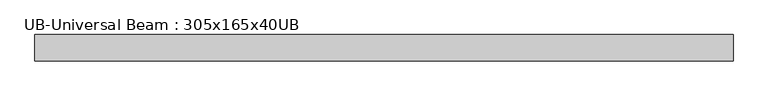
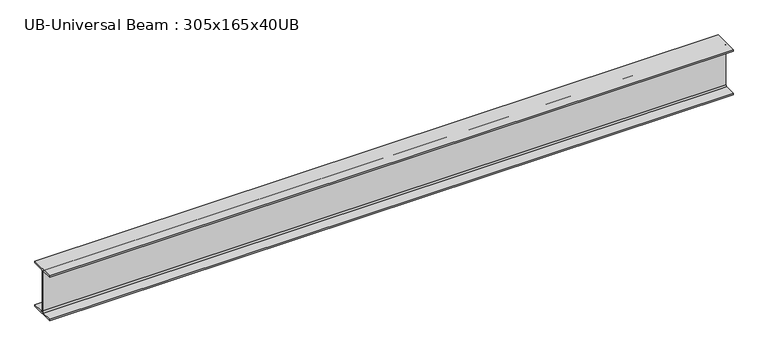
"""IFC4 building model written with IfcOpenShell, lengths in millimetres: beam geometry, UB-Universal Beam : 305x165x40UB."""

import ifcopenshell
import ifcopenshell.guid

model = None  # the IFC model being written
_history = None  # IfcOwnerHistory: only IFC2X3 demands one
_inside = {}  # id of a spatial element -> (the spatial element, [elements in it])
_under = {}  # id of a project, library or spatial element -> (it, [spatial elements below it])
_declared = {}  # id of a project -> (the project, [libraries it declares])
_typed = {}  # id of a type object -> (the type object, [elements of that type])
_made_of = {}  # id of a material, layer set ... -> (it, [elements and type objects made of it])


def new_model(schema):
    """Start an empty IFC model of exactly this schema.

    Asked for "IFC4X3", IfcOpenShell would pick the latest addendum, in which some entities
    have other attributes; the version numbers below select the first issue.
    IFC2X3 requires an IfcOwnerHistory on every rooted entity: one is made here for all.
    """
    global model, _history
    if schema == "IFC4X3":
        model = ifcopenshell.file(schema_version=(4, 3, 0, 0))
    else:
        model = ifcopenshell.file(schema=schema)
    _inside.clear()
    _under.clear()
    _declared.clear()
    _typed.clear()
    _made_of.clear()
    _history = None
    if model.schema == "IFC2X3":
        org = make("IfcOrganization", Name="unknown")
        user = make(
            "IfcPersonAndOrganization",
            ThePerson=make("IfcPerson", FamilyName="unknown"),
            TheOrganization=org,
        )
        app = make(
            "IfcApplication",
            ApplicationDeveloper=org,
            Version="unknown",
            ApplicationFullName="unknown",
            ApplicationIdentifier="unknown",
        )
        _history = make(
            "IfcOwnerHistory",
            OwningUser=user,
            OwningApplication=app,
            ChangeAction="ADDED",
            CreationDate=0,
        )
    return model


def make(cls, **values):
    """One entity of the class cls with the attributes given. An attribute that is None is left unset."""
    return model.create_entity(
        cls, **{name: value for name, value in values.items() if value is not None}
    )


def rooted(cls, **values):
    """An entity with a GlobalId (a new one), such as an element, a storey or a relation."""
    return make(cls, GlobalId=ifcopenshell.guid.new(), OwnerHistory=_history, **values)


def si_unit(unit_type, name, prefix=None):
    """IfcSIUnit, for example si_unit("LENGTHUNIT", "METRE", prefix="MILLI")."""
    return make("IfcSIUnit", UnitType=unit_type, Prefix=prefix, Name=name)


def assignment(units):
    """IfcUnitAssignment: the units of a project."""
    return None if units is None else make("IfcUnitAssignment", Units=units)


def point(xyz):
    """IfcCartesianPoint."""
    return None if xyz is None else make("IfcCartesianPoint", Coordinates=xyz)


def direction(xyz):
    """IfcDirection."""
    return None if xyz is None else make("IfcDirection", DirectionRatios=xyz)


def frame(location, z_axis=None, x_axis=None):
    """IfcAxis2Placement3D, a coordinate frame: its origin and axes. An axis left out is left unset."""
    return make(
        "IfcAxis2Placement3D",
        Location=point(location),
        Axis=direction(z_axis),
        RefDirection=direction(x_axis),
    )


def frame_2d(location, x_axis=None):
    """IfcAxis2Placement2D, a coordinate frame in the plane: its origin and x axis."""
    return make(
        "IfcAxis2Placement2D", Location=point(location), RefDirection=direction(x_axis)
    )


def origin():
    """The frame at (0, 0, 0) with its axes left unset."""
    return frame((0.0, 0.0, 0.0))


def place(relative_to, where):
    """IfcLocalPlacement: puts the frame where relative to a parent placement (None: the world)."""
    return make(
        "IfcLocalPlacement", PlacementRelTo=relative_to, RelativePlacement=where
    )


def context(
    kind, dimensions, precision=None, world=None, true_north=None, identifier=None
):
    """IfcGeometricRepresentationContext, for example the 3D "Model" context."""
    return make(
        "IfcGeometricRepresentationContext",
        ContextIdentifier=identifier,
        ContextType=kind,
        CoordinateSpaceDimension=dimensions,
        Precision=precision,
        WorldCoordinateSystem=world,
        TrueNorth=true_north,
    )


def project(units=None, contexts=None):
    """IfcProject with its units and contexts."""
    return rooted(
        "IfcProject",
        Name="project",
        RepresentationContexts=contexts,
        UnitsInContext=assignment(units),
    )


def spatial(cls, under=None, at=None, **own):
    """A site, building, storey or space (cls), placed at a placement, below another one or the project."""
    s = rooted(cls, ObjectPlacement=at, **own)
    if under is not None:
        _under.setdefault(under.id(), (under, []))[1].append(s)
    return s


def polyline(points):
    """IfcPolyline through the points."""
    return make("IfcPolyline", Points=[point(p) for p in points])


def circle_curve(where, radius):
    """IfcCircle in the frame where."""
    return make("IfcCircle", Position=where, Radius=radius)


def trimmed(basis, trim1, trim2, sense, master):
    """IfcTrimmedCurve: the piece of a basis curve between two trims."""
    return make(
        "IfcTrimmedCurve",
        BasisCurve=basis,
        Trim1=trim1,
        Trim2=trim2,
        SenseAgreement=sense,
        MasterRepresentation=master,
    )


def segment(curve, same_sense, transition):
    """IfcCompositeCurveSegment."""
    return make(
        "IfcCompositeCurveSegment",
        Transition=transition,
        SameSense=same_sense,
        ParentCurve=curve,
    )


def composite_curve(segments, self_intersect=None):
    """IfcCompositeCurve: segments joined end to end."""
    return make("IfcCompositeCurve", Segments=segments, SelfIntersect=self_intersect)


def outline(outer, holes=None, kind="AREA"):
    """IfcArbitraryClosedProfileDef: a profile drawn as a closed curve; with holes, ...WithVoids."""
    if holes is None:
        return make("IfcArbitraryClosedProfileDef", ProfileType=kind, OuterCurve=outer)
    return make(
        "IfcArbitraryProfileDefWithVoids",
        ProfileType=kind,
        OuterCurve=outer,
        InnerCurves=holes,
    )


def extrude(swept, where, along, depth):
    """IfcExtrudedAreaSolid: the profile swept, set in the frame where, extruded along a direction by depth."""
    return make(
        "IfcExtrudedAreaSolid",
        SweptArea=swept,
        Position=where,
        ExtrudedDirection=direction(along),
        Depth=depth,
    )


def shape(context_of_items, identifier, shape_type, items):
    """IfcShapeRepresentation: the items that make up one representation, for example the "Body"."""
    return make(
        "IfcShapeRepresentation",
        ContextOfItems=context_of_items,
        RepresentationIdentifier=identifier,
        RepresentationType=shape_type,
        Items=items,
    )


def source(mapping_origin, context_of_items, identifier, shape_type, items):
    """IfcRepresentationMap: a shape defined once, which mapped items show again and again."""
    return make(
        "IfcRepresentationMap",
        MappingOrigin=mapping_origin,
        MappedRepresentation=shape(context_of_items, identifier, shape_type, items),
    )


def transform(
    local_origin,
    x_axis=None,
    y_axis=None,
    z_axis=None,
    scale=None,
    scale2=None,
    scale3=None,
    uniform=True,
):
    """IfcCartesianTransformationOperator3D, or its non-uniform kind. x_axis, y_axis, z_axis: its Axis1, 2, 3."""
    if uniform:
        return make(
            "IfcCartesianTransformationOperator3D",
            Axis1=direction(x_axis),
            Axis2=direction(y_axis),
            LocalOrigin=point(local_origin),
            Scale=scale,
            Axis3=direction(z_axis),
        )
    return make(
        "IfcCartesianTransformationOperator3DnonUniform",
        Axis1=direction(x_axis),
        Axis2=direction(y_axis),
        LocalOrigin=point(local_origin),
        Scale=scale,
        Axis3=direction(z_axis),
        Scale2=scale2,
        Scale3=scale3,
    )


def mapped(mapping_source, mapping_target):
    """IfcMappedItem: shows the shape of a source again, moved by a transform."""
    return make(
        "IfcMappedItem", MappingSource=mapping_source, MappingTarget=mapping_target
    )


def made_of(thing, what):
    """Note that an element or type object is made of a material, layer set ...; save() writes the relation."""
    if what is not None:
        _made_of.setdefault(what.id(), (what, []))[1].append(thing)
    return thing


def element(
    cls,
    number,
    at=None,
    inside=None,
    cuts=None,
    type_object=None,
    material=None,
    context=None,
    identifier="Body",
    shape_type=None,
    held_by="IfcProductDefinitionShape",
    body=None,
    shapes=None,
    **own,
):
    """One element of the class cls, such as IfcWall. Its Tag is "e" and its number.

    at: its placement. inside: the storey or other place that contains it. cuts: it is an
    opening in that element (IfcRelVoidsElement). A single representation is given by context,
    identifier, shape_type and body (its items); several are given by shapes. held_by: the class
    of the entity that holds the representations. save() writes the other relations.
    """
    e = rooted(cls, Tag="e%d" % number, ObjectPlacement=at, **own)
    if body is not None:
        shapes = [shape(context, identifier, shape_type, body)]
    if shapes is not None:
        e.Representation = make(held_by, Representations=shapes)
    if inside is not None:
        _inside.setdefault(inside.id(), (inside, []))[1].append(e)
    if cuts is not None:
        rooted(
            "IfcRelVoidsElement", RelatingBuildingElement=cuts, RelatedOpeningElement=e
        )
    if type_object is not None:
        _typed.setdefault(type_object.id(), (type_object, []))[1].append(e)
    return made_of(e, material)


def aggregate(whole, parts):
    """IfcRelAggregates: a whole, such as a stair, and the parts it consists of."""
    return rooted("IfcRelAggregates", RelatingObject=whole, RelatedObjects=parts)


def save(model, path):
    """Write the relations noted so far, then the file.

    IfcRelAggregates (storeys below a building ...), IfcRelContainedInSpatialStructure (elements
    in a storey), IfcRelDefinesByType, IfcRelAssociatesMaterial and IfcRelDeclares: one each for
    every whole, place, type object, material and project.
    """
    for whole, parts in _under.values():
        aggregate(whole, parts)
    for where, things in _inside.values():
        rooted(
            "IfcRelContainedInSpatialStructure",
            RelatedElements=things,
            RelatingStructure=where,
        )
    for kind, things in _typed.values():
        rooted("IfcRelDefinesByType", RelatedObjects=things, RelatingType=kind)
    for what, things in _made_of.values():
        rooted("IfcRelAssociatesMaterial", RelatedObjects=things, RelatingMaterial=what)
    for by, libraries in _declared.values():
        rooted("IfcRelDeclares", RelatingContext=by, RelatedDefinitions=libraries)
    model.write(path)


def ub_universal_beam_305x165x40ub_bf0107b8(model_context):
    return source(origin(), model_context, "Body", "SweptSolid", [
        extrude(outline(composite_curve([segment(polyline([(82.5, -141.5), (82.5, -151.7), (-82.5, -151.7), (-82.5, -141.5), (-11.9, -141.5)]), True, "CONTINUOUS"), segment(trimmed(circle_curve(frame_2d((-11.9, -132.6)), 8.9), [point((-11.9, -141.5))], [point((-3.0, -132.6))], True, "CARTESIAN"), True, "CONTINUOUS"), segment(polyline([(-3.0, -132.6), (-3.0, 132.6)]), True, "CONTINUOUS"), segment(trimmed(circle_curve(frame_2d((-11.9, 132.6)), 8.9), [point((-3.0, 132.6))], [point((-11.9, 141.5))], True, "CARTESIAN"), True, "CONTINUOUS"), segment(polyline([(-11.9, 141.5), (-82.5, 141.5), (-82.5, 151.7), (82.5, 151.7), (82.5, 141.5), (11.9, 141.5)]), True, "CONTINUOUS"), segment(trimmed(circle_curve(frame_2d((11.9, 132.6)), 8.9), [point((11.9, 141.5))], [point((3.0, 132.6))], True, "CARTESIAN"), True, "CONTINUOUS"), segment(polyline([(3.0, 132.6), (3.0, -132.6)]), True, "CONTINUOUS"), segment(trimmed(circle_curve(frame_2d((11.9, -132.6)), 8.9), [point((3.0, -132.6))], [point((11.9, -141.5))], True, "CARTESIAN"), True, "CONTINUOUS"), segment(polyline([(11.9, -141.5), (82.5, -141.5)]), True, "CONTINUOUS")], self_intersect=False)), frame((-2184.8, 0.0, 0.0), z_axis=(1.0, 0.0, 0.0), x_axis=(0.0, 1.0, 0.0)), (0.0, 0.0, 1.0), 4369.6),
    ])


if __name__ == "__main__":
    model = new_model("IFC4")
    model_context = context("Model", 3, world=origin())
    ifc_project = project(units=[si_unit("LENGTHUNIT", "METRE", prefix="MILLI")], contexts=[model_context])
    site = spatial("IfcSite", under=ifc_project)
    building = spatial("IfcBuilding", under=site)
    placement = place(None, origin())
    ub_universal_beam_305x165x40ub_shape = ub_universal_beam_305x165x40ub_bf0107b8(model_context)
    element("IfcBeam", 1, ObjectType="UB-Universal Beam : 305x165x40UB", at=placement, inside=building, context=model_context, shape_type="MappedRepresentation", body=[
        mapped(ub_universal_beam_305x165x40ub_shape, transform((0.0, 0.0, 0.0), x_axis=(1.0, 0.0, 0.0), y_axis=(0.0, 1.0, 0.0), z_axis=(0.0, 0.0, 1.0))),
    ])
    save(model, "model.ifc")
